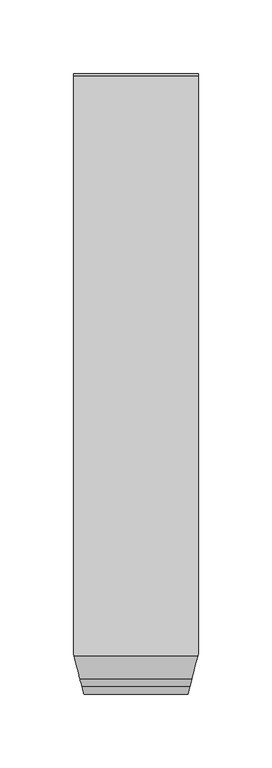
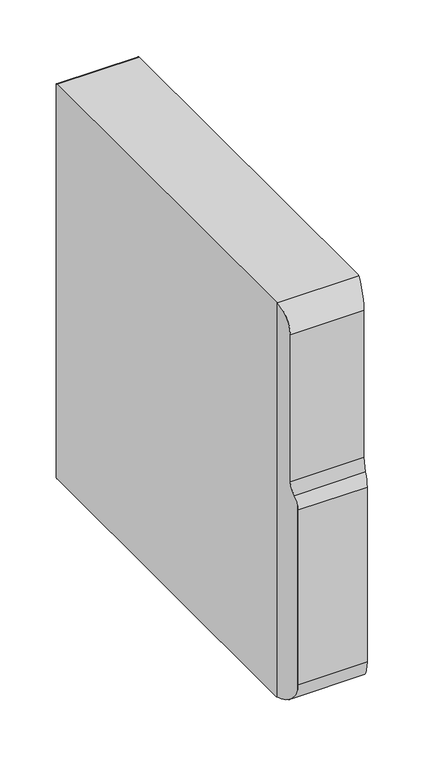
"""IFC4 building model written with IfcOpenShell, lengths in millimetres: proxy geometry."""

from ifc_helpers import new_model, si_unit, frame, origin, place, context, project, spatial, polyline, circle_curve, ellipse_curve, source, transform, mapped, element, save
from ifc_brep_helpers import plane_surface, cylinder_surface, revolved_surface, advanced_brep


def specialty_equipment_86c421a5(model_context):
    return source(origin(), model_context, "Body", "AdvancedBrep", [
        advanced_brep(
        [(42.228019, -189.1980137, 0.0), (42.228019, 201.8219547, 0.0), (42.228019, 203.4779926, 1.6560379), (42.228019, 203.4779926, 427.6620232), (42.228019, 201.8219547, 429.3180611), (42.228019, -189.1980137, 429.3180611), (-42.228019, 201.8219547, 429.3180611), (-42.228019, 203.4779926, 427.6620232), (-42.228019, 203.4779926, 1.6560379), (-42.228019, 201.8219547, 0.0), (-42.228019, -189.1980137, 0.0), (-42.228019, -189.6119968, 0.0031363), (-42.228019, -189.6119968, 429.3180611), (-42.014342, -190.4399895, 429.3180611), (41.9125942, -190.4399895, 429.3180611), (-37.9544394, -206.1720074, 402.821981), (37.9171319, -206.1720074, 402.821981), (-37.9544394, -206.1720074, 242.6040253), (37.9171319, -206.1720074, 242.6040253), (-36.6723709, -211.1399895, 230.1840042), (36.6554129, -211.1399895, 230.1840042), (-35.6039726, -215.2800053, 223.9190357), (-35.2834538, -216.5220074, 217.35), (35.2885412, -216.5220074, 217.35), (-35.2834538, -216.5220074, 27.3239937), (35.2885412, -216.5220074, 27.3239937), (-35.6039726, -215.2800053, 19.1796493)],
        [
            (0, 1),
            (1, 2, circle_curve(frame((42.228019, 201.8219547, 1.6560379), z_axis=(1.0, 0.0, 0.0), x_axis=(0.0, -1.0, 0.0)), 1.6560379)),
            (2, 3),
            (3, 4, circle_curve(frame((42.228019, 201.8219547, 427.6620232), z_axis=(1.0, 0.0, 0.0), x_axis=(0.0, -1.0, 0.0)), 1.6560379)),
            (4, 5),
            (5, 0),
            (6, 7, circle_curve(frame((-42.228019, 201.8219547, 427.6620232), z_axis=(-1.0, 0.0, 0.0), x_axis=(0.0, -1.0, 0.0)), 1.6560379)),
            (7, 8),
            (8, 9, circle_curve(frame((-42.228019, 201.8219547, 1.6560379), z_axis=(-1.0, 0.0, 0.0), x_axis=(0.0, -1.0, 0.0)), 1.6560379)),
            (9, 10),
            (10, 11, circle_curve(frame((-42.228019, -189.1980137, 27.3239937), z_axis=(-1.0, 0.0, 0.0), x_axis=(0.0, -1.0, 0.0)), 27.3239937)),
            (11, 12),
            (12, 6),
            (4, 6),
            (12, 13),
            (13, 14),
            (14, 5),
            (13, 15, ellipse_curve(frame((-45.7425014, -175.993468, 402.821981), z_axis=(0.9682769207257345, 0.24987958057810528, 0.0), x_axis=(0.24987958057810503, -0.9682769207257345, 0.0)), 31.1672609, 30.1785394)),
            (15, 16),
            (16, 14, ellipse_curve(frame((45.5815789, -175.993468, 402.821981), z_axis=(-0.9692303395477551, 0.24615553802452514, 0.0), x_axis=(0.2461555380245251, 0.9692303395477551, 0.0)), 31.1366021, 30.1785394)),
            (15, 17),
            (17, 18),
            (18, 16),
            (17, 19, ellipse_curve(frame((-31.9865521, -229.2974163, 244.6505382), z_axis=(-0.9682769207257345, -0.24987958057810528, 0.0), x_axis=(-0.24987958057810503, 0.9682769207257345, 0.0)), 23.9763917, 23.2157867)),
            (19, 20),
            (20, 18, ellipse_curve(frame((32.0439692, -229.2974163, 244.6505382), z_axis=(0.9692303395477551, -0.24615553802452514, 0.0), x_axis=(-0.2461555380245251, -0.9692303395477551, 0.0)), 23.9528065, 23.2157867)),
            (19, 21, ellipse_curve(frame((-39.9268512, -198.5289623, 217.35), z_axis=(0.9682769207257345, 0.24987958057810528, 0.0), x_axis=(0.24987958057810503, -0.9682769207257345, 0.0)), 18.5825404, 17.993045)),
            (21, 22, ellipse_curve(frame((-39.9268512, -198.5289623, 217.35), z_axis=(0.9682769207257347, 0.24987958057810455, 0.0), x_axis=(0.24987958057810397, -0.9682769207257347, 0.0)), 18.5825404, 17.993045)),
            (22, 23),
            (23, 20, ellipse_curve(frame((39.8582369, -198.5289623, 217.35), z_axis=(-0.9692303395477551, 0.24615553802452514, 0.0), x_axis=(0.2461555380245251, 0.9692303395477551, 0.0)), 18.564261, 17.993045)),
            (22, 24),
            (24, 25),
            (25, 23),
            (10, 0),
            (0, 25, ellipse_curve(frame((42.228019, -189.1980137, 27.3239937), z_axis=(-0.9692303395477551, 0.24615553802452514, 0.0), x_axis=(0.2461555380245251, 0.9692303395477551, 0.0)), 28.1914346, 27.3239937)),
            (24, 26, ellipse_curve(frame((-42.334854, -189.1980137, 27.3239937), z_axis=(0.9682769207257347, 0.24987958057810455, 0.0), x_axis=(0.24987958057810397, -0.9682769207257347, 0.0)), 28.2191934, 27.3239937)),
            (26, 11, ellipse_curve(frame((-42.334854, -189.1980137, 27.3239937), z_axis=(0.9682769207257345, 0.24987958057810528, 0.0), x_axis=(0.24987958057810503, -0.9682769207257345, 0.0)), 28.2191934, 27.3239937)),
            (9, 1),
            (8, 2),
            (3, 7),
            (26, 21),
        ],
        [
            plane_surface(frame((42.228019, -189.1979874, 429.3180611), z_axis=(1.0, 0.0, 0.0), x_axis=(0.0, -1.0, 0.0))),
            plane_surface(frame((-42.228019, -189.1979874, 429.3180611), z_axis=(-1.0, 0.0, 0.0), x_axis=(0.0, 1.0, 0.0))),
            plane_surface(frame((42.228019, 201.8219547, 429.3180611), z_axis=(0.0, 0.0, 1.0), x_axis=(-1.0, 0.0, 0.0))),
            cylinder_surface(frame((-42.228019, -175.993468, 402.821981), z_axis=(1.0, 0.0, 0.0), x_axis=(0.0, -1.0, 0.0)), 30.1785394),
            plane_surface(frame((42.228019, -206.1720074, 402.821981), z_axis=(0.0, -1.0, 0.0), x_axis=(-1.0, 0.0, 0.0))),
            revolved_surface(polyline([(-37.97776280177236, -252.513203, 244.6505382), (37.94008517120484, -252.513203, 244.6505382)]), (-42.228019, -229.2974163, 244.6505382), (-1.0, 0.0, 0.0)),
            cylinder_surface(frame((-42.228019, -198.5289623, 217.35), z_axis=(1.0, 0.0, 0.0), x_axis=(0.0, -1.0, 0.0)), 17.993045),
            plane_surface(frame((42.228019, -216.5220074, 217.35), z_axis=(0.0, -1.0, 0.0), x_axis=(-1.0, 0.0, 0.0))),
            cylinder_surface(frame((-42.228019, -189.1980137, 27.3239937), z_axis=(1.0, 0.0, 0.0), x_axis=(0.0, -1.0, 0.0)), 27.3239937),
            plane_surface(frame((42.228019, -189.1980137, 0.0), z_axis=(0.0, 0.0, -1.0), x_axis=(-1.0, 0.0, 0.0))),
            cylinder_surface(frame((-42.228019, 201.8219547, 1.6560379), z_axis=(1.0, 0.0, 0.0), x_axis=(0.0, -1.0, 0.0)), 1.6560379),
            cylinder_surface(frame((-42.228019, 201.8219547, 427.6620232), z_axis=(1.0, 0.0, 0.0), x_axis=(0.0, -1.0, 0.0)), 1.6560379),
            plane_surface(frame((-35.6039726, -215.2800053, 429.3180611), z_axis=(-0.9682769207257345, -0.24987958057810528, 0.0), x_axis=(0.0, 0.0, -1.0))),
            plane_surface(frame((-35.228701, -216.7341732, 429.3180611), z_axis=(-0.9682769207257347, -0.24987958057810455, 0.0), x_axis=(0.0, 0.0, -1.0))),
            plane_surface(frame((42.228019, -189.1980137, 429.3180611), z_axis=(0.9692303395477551, -0.24615553802452514, 0.0), x_axis=(0.0, 0.0, -1.0))),
            plane_surface(frame((42.228019, 203.4779926, 1.6560379), z_axis=(0.0, 1.0, 0.0), x_axis=(-1.0, 0.0, 0.0))),
        ],
        [
            (0, [[1, 2, 3, 4, 5, 6]]),
            (1, [[7, 8, 9, 10, 11, 12, 13]]),
            (2, [[14, -13, 15, 16, 17, -5]]),
            (3, [[-16, 18, 19, 20]]),
            (4, [[-19, 21, 22, 23]]),
            (5, [[-22, 24, 25, 26]]),
            (6, [[-25, 27, 28, 29, 30]]),
            (7, [[-29, 31, 32, 33]]),
            (8, [[34, 35, -32, 36, 37, -11]]),
            (9, [[-1, -34, -10, 38]]),
            (10, [[-2, -38, -9, 39]]),
            (11, [[-4, 40, -7, -14]]),
            (12, [[41, -27, -24, -21, -18, -15, -12, -37]]),
            (13, [[-41, -36, -31, -28]]),
            (14, [[-6, -17, -20, -23, -26, -30, -33, -35]]),
            (15, [[-3, -39, -8, -40]]),
        ],
    ),
    ])


if __name__ == "__main__":
    model = new_model("IFC4")
    model_context = context("Model", 3, world=origin())
    ifc_project = project(units=[si_unit("LENGTHUNIT", "METRE", prefix="MILLI")], contexts=[model_context])
    site = spatial("IfcSite", under=ifc_project)
    building = spatial("IfcBuilding", under=site)
    placement = place(None, origin())
    specialty_equipment_shape = specialty_equipment_86c421a5(model_context)
    element("IfcBuildingElementProxy", 1, Name="Specialty Equipment", at=placement, inside=building, context=model_context, shape_type="MappedRepresentation", body=[
        mapped(specialty_equipment_shape, transform((0.0, 0.0, 0.0), x_axis=(1.0, 0.0, 0.0), y_axis=(0.0, 1.0, 0.0), z_axis=(0.0, 0.0, 1.0))),
    ])
    save(model, "model.ifc")
